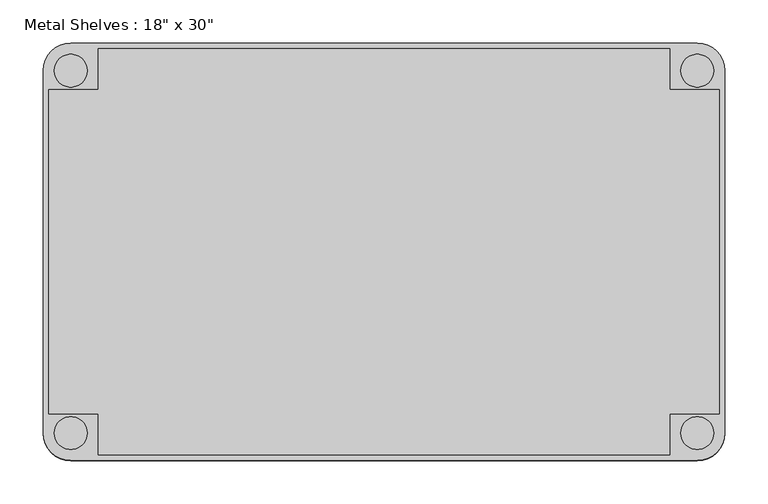
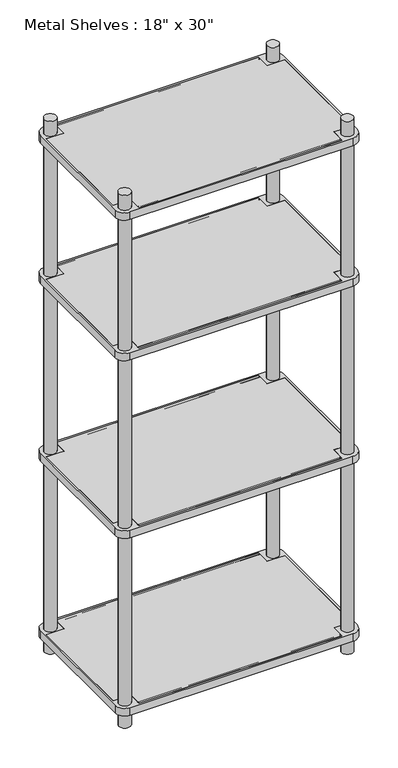
"""IFC4 building model written with IfcOpenShell, lengths in millimetres: furniture geometry."""

from ifc_helpers import new_model, si_unit, point, frame, frame_2d, origin, origin_with_axes, place, context, project, spatial, polyline, circle_curve, trimmed, segment, composite_curve, outline, extrude, source, transform, mapped, element, save


def furniture_54ad6b23(model_context):
    return source(origin(), model_context, "Body", "SweptSolid", [
        extrude(outline(polyline([(-330.2, -234.95), (-330.2, -187.325), (-387.35, -187.325), (-387.35, 187.325), (-330.2, 187.325), (-330.2, 234.95), (330.2, 234.95), (330.2, 187.325), (387.35, 187.325), (387.35, -187.325), (330.2, -187.325), (330.2, -234.95), (-330.2, -234.95)])), frame((0.0, 0.0, 50.8), z_axis=(0.0, 0.0, 1.0), x_axis=(1.0, 0.0, 0.0)), (0.0, 0.0, 1.0), 25.4),
        extrude(outline(polyline([(-330.2, -234.95), (-330.2, -187.325), (-387.35, -187.325), (-387.35, 187.325), (-330.2, 187.325), (-330.2, 234.95), (330.2, 234.95), (330.2, 187.325), (387.35, 187.325), (387.35, -187.325), (330.2, -187.325), (330.2, -234.95), (-330.2, -234.95)])), frame((0.0, 0.0, 660.4), z_axis=(0.0, 0.0, 1.0), x_axis=(1.0, 0.0, 0.0)), (0.0, 0.0, 1.0), 25.4),
        extrude(outline(polyline([(-330.2, -234.95), (-330.2, -187.325), (-387.35, -187.325), (-387.35, 187.325), (-330.2, 187.325), (-330.2, 234.95), (330.2, 234.95), (330.2, 187.325), (387.35, 187.325), (387.35, -187.325), (330.2, -187.325), (330.2, -234.95), (-330.2, -234.95)])), frame((0.0, 0.0, 1270.0), z_axis=(0.0, 0.0, 1.0), x_axis=(1.0, 0.0, 0.0)), (0.0, 0.0, 1.0), 25.4),
        extrude(outline(polyline([(-387.35, -187.325), (-387.35, 187.325), (-330.2, 187.325), (-330.2, 234.95), (330.2, 234.95), (330.2, 187.325), (387.35, 187.325), (387.35, -187.325), (330.2, -187.325), (330.2, -234.95), (-330.2, -234.95), (-330.2, -187.325), (-387.35, -187.325)])), frame((0.0, 0.0, 1752.6), z_axis=(0.0, 0.0, 1.0), x_axis=(1.0, 0.0, 0.0)), (0.0, 0.0, 1.0), 25.4),
        extrude(outline(composite_curve([segment(polyline([(393.7, 209.55), (393.7, -209.55)]), True, "CONTINUOUS"), segment(trimmed(circle_curve(frame_2d((361.95, -209.55)), 31.75), [point((393.7, -209.55))], [point((361.95, -241.3))], False, "CARTESIAN"), True, "CONTINUOUS"), segment(polyline([(361.95, -241.3), (-361.95, -241.3)]), True, "CONTINUOUS"), segment(trimmed(circle_curve(frame_2d((-361.95, -209.55)), 31.75), [point((-361.95, -241.3))], [point((-393.7, -209.55))], False, "CARTESIAN"), True, "CONTINUOUS"), segment(polyline([(-393.7, -209.55), (-393.7, 209.55)]), True, "CONTINUOUS"), segment(trimmed(circle_curve(frame_2d((-361.95, 209.55)), 31.75), [point((-393.7, 209.55))], [point((-361.95, 241.3))], False, "CARTESIAN"), True, "CONTINUOUS"), segment(polyline([(-361.95, 241.3), (361.95, 241.3)]), True, "CONTINUOUS"), segment(trimmed(circle_curve(frame_2d((361.95, 209.55)), 31.75), [point((361.95, 241.3))], [point((393.7, 209.55))], False, "CARTESIAN"), True, "CONTINUOUS")], self_intersect=False), holes=[polyline([(-330.2, 234.95), (-330.2, 187.325), (-387.35, 187.325), (-387.35, -187.325), (-330.2, -187.325), (-330.2, -234.95), (330.2, -234.95), (330.2, -187.325), (387.35, -187.325), (387.35, 187.325), (330.2, 187.325), (330.2, 234.95), (-330.2, 234.95)]), composite_curve([segment(trimmed(circle_curve(frame_2d((361.95, 209.55)), 19.05), [point((342.9, 209.55))], [point((381.0, 209.55))], True, "CARTESIAN"), True, "CONTINUOUS"), segment(trimmed(circle_curve(frame_2d((361.95, 209.55)), 19.05), [point((381.0, 209.55))], [point((342.9, 209.55))], True, "CARTESIAN"), True, "CONTINUOUS")], self_intersect=False), composite_curve([segment(trimmed(circle_curve(frame_2d((361.95, -209.55)), 19.05), [point((342.9, -209.55))], [point((381.0, -209.55))], True, "CARTESIAN"), True, "CONTINUOUS"), segment(trimmed(circle_curve(frame_2d((361.95, -209.55)), 19.05), [point((381.0, -209.55))], [point((342.9, -209.55))], True, "CARTESIAN"), True, "CONTINUOUS")], self_intersect=False), composite_curve([segment(trimmed(circle_curve(frame_2d((-361.95, -209.55)), 19.05), [point((-342.9, -209.55))], [point((-381.0, -209.55))], True, "CARTESIAN"), True, "CONTINUOUS"), segment(trimmed(circle_curve(frame_2d((-361.95, -209.55)), 19.05), [point((-381.0, -209.55))], [point((-342.9, -209.55))], True, "CARTESIAN"), True, "CONTINUOUS")], self_intersect=False), composite_curve([segment(trimmed(circle_curve(frame_2d((-361.95, 209.55)), 19.05), [point((-342.9, 209.55))], [point((-381.0, 209.55))], True, "CARTESIAN"), True, "CONTINUOUS"), segment(trimmed(circle_curve(frame_2d((-361.95, 209.55)), 19.05), [point((-381.0, 209.55))], [point((-342.9, 209.55))], True, "CARTESIAN"), True, "CONTINUOUS")], self_intersect=False)]), frame((0.0, 0.0, 660.4), z_axis=(0.0, 0.0, 1.0), x_axis=(1.0, 0.0, 0.0)), (0.0, 0.0, 1.0), 25.4),
        extrude(outline(composite_curve([segment(polyline([(-361.95, 241.3), (361.95, 241.3)]), True, "CONTINUOUS"), segment(trimmed(circle_curve(frame_2d((361.95, 209.55)), 31.75), [point((361.95, 241.3))], [point((393.7, 209.55))], False, "CARTESIAN"), True, "CONTINUOUS"), segment(polyline([(393.7, 209.55), (393.7, -209.55)]), True, "CONTINUOUS"), segment(trimmed(circle_curve(frame_2d((361.95, -209.55)), 31.75), [point((393.7, -209.55))], [point((361.95, -241.3))], False, "CARTESIAN"), True, "CONTINUOUS"), segment(polyline([(361.95, -241.3), (-361.95, -241.3)]), True, "CONTINUOUS"), segment(trimmed(circle_curve(frame_2d((-361.95, -209.55)), 31.75), [point((-361.95, -241.3))], [point((-393.7, -209.55))], False, "CARTESIAN"), True, "CONTINUOUS"), segment(polyline([(-393.7, -209.55), (-393.7, 209.55)]), True, "CONTINUOUS"), segment(trimmed(circle_curve(frame_2d((-361.95, 209.55)), 31.75), [point((-393.7, 209.55))], [point((-361.95, 241.3))], False, "CARTESIAN"), True, "CONTINUOUS")], self_intersect=False), holes=[composite_curve([segment(trimmed(circle_curve(frame_2d((-361.95, 209.55)), 19.05), [point((-342.9, 209.55))], [point((-381.0, 209.55))], True, "CARTESIAN"), True, "CONTINUOUS"), segment(trimmed(circle_curve(frame_2d((-361.95, 209.55)), 19.05), [point((-381.0, 209.55))], [point((-342.9, 209.55))], True, "CARTESIAN"), True, "CONTINUOUS")], self_intersect=False), composite_curve([segment(trimmed(circle_curve(frame_2d((-361.95, -209.55)), 19.05), [point((-342.9, -209.55))], [point((-381.0, -209.55))], True, "CARTESIAN"), True, "CONTINUOUS"), segment(trimmed(circle_curve(frame_2d((-361.95, -209.55)), 19.05), [point((-381.0, -209.55))], [point((-342.9, -209.55))], True, "CARTESIAN"), True, "CONTINUOUS")], self_intersect=False), composite_curve([segment(trimmed(circle_curve(frame_2d((361.95, 209.55)), 19.05), [point((342.9, 209.55))], [point((381.0, 209.55))], True, "CARTESIAN"), True, "CONTINUOUS"), segment(trimmed(circle_curve(frame_2d((361.95, 209.55)), 19.05), [point((381.0, 209.55))], [point((342.9, 209.55))], True, "CARTESIAN"), True, "CONTINUOUS")], self_intersect=False), composite_curve([segment(trimmed(circle_curve(frame_2d((361.95, -209.55)), 19.05), [point((342.9, -209.55))], [point((381.0, -209.55))], True, "CARTESIAN"), True, "CONTINUOUS"), segment(trimmed(circle_curve(frame_2d((361.95, -209.55)), 19.05), [point((381.0, -209.55))], [point((342.9, -209.55))], True, "CARTESIAN"), True, "CONTINUOUS")], self_intersect=False), polyline([(-330.2, 234.95), (-330.2, 187.325), (-387.35, 187.325), (-387.35, -187.325), (-330.2, -187.325), (-330.2, -234.95), (330.2, -234.95), (330.2, -187.325), (387.35, -187.325), (387.35, 187.325), (330.2, 187.325), (330.2, 234.95), (-330.2, 234.95)])]), frame((0.0, 0.0, 50.8), z_axis=(0.0, 0.0, 1.0), x_axis=(1.0, 0.0, 0.0)), (0.0, 0.0, 1.0), 25.4),
        extrude(outline(composite_curve([segment(polyline([(-393.7, -209.55), (-393.7, 209.55)]), True, "CONTINUOUS"), segment(trimmed(circle_curve(frame_2d((-361.95, 209.55)), 31.75), [point((-393.7, 209.55))], [point((-361.95, 241.3))], False, "CARTESIAN"), True, "CONTINUOUS"), segment(polyline([(-361.95, 241.3), (361.95, 241.3)]), True, "CONTINUOUS"), segment(trimmed(circle_curve(frame_2d((361.95, 209.55)), 31.75), [point((361.95, 241.3))], [point((393.7, 209.55))], False, "CARTESIAN"), True, "CONTINUOUS"), segment(polyline([(393.7, 209.55), (393.7, -209.55)]), True, "CONTINUOUS"), segment(trimmed(circle_curve(frame_2d((361.95, -209.55)), 31.75), [point((393.7, -209.55))], [point((361.95, -241.3))], False, "CARTESIAN"), True, "CONTINUOUS"), segment(polyline([(361.95, -241.3), (-361.95, -241.3)]), True, "CONTINUOUS"), segment(trimmed(circle_curve(frame_2d((-361.95, -209.55)), 31.75), [point((-361.95, -241.3))], [point((-393.7, -209.55))], False, "CARTESIAN"), True, "CONTINUOUS")], self_intersect=False), holes=[composite_curve([segment(trimmed(circle_curve(frame_2d((-361.95, -209.55)), 19.05), [point((-342.9, -209.55))], [point((-381.0, -209.55))], True, "CARTESIAN"), True, "CONTINUOUS"), segment(trimmed(circle_curve(frame_2d((-361.95, -209.55)), 19.05), [point((-381.0, -209.55))], [point((-342.9, -209.55))], True, "CARTESIAN"), True, "CONTINUOUS")], self_intersect=False), composite_curve([segment(trimmed(circle_curve(frame_2d((-361.95, 209.55)), 19.05), [point((-342.9, 209.55))], [point((-381.0, 209.55))], True, "CARTESIAN"), True, "CONTINUOUS"), segment(trimmed(circle_curve(frame_2d((-361.95, 209.55)), 19.05), [point((-381.0, 209.55))], [point((-342.9, 209.55))], True, "CARTESIAN"), True, "CONTINUOUS")], self_intersect=False), composite_curve([segment(trimmed(circle_curve(frame_2d((361.95, 209.55)), 19.05), [point((342.9, 209.55))], [point((381.0, 209.55))], True, "CARTESIAN"), True, "CONTINUOUS"), segment(trimmed(circle_curve(frame_2d((361.95, 209.55)), 19.05), [point((381.0, 209.55))], [point((342.9, 209.55))], True, "CARTESIAN"), True, "CONTINUOUS")], self_intersect=False), polyline([(-330.2, 234.95), (-330.2, 187.325), (-387.35, 187.325), (-387.35, -187.325), (-330.2, -187.325), (-330.2, -234.95), (330.2, -234.95), (330.2, -187.325), (387.35, -187.325), (387.35, 187.325), (330.2, 187.325), (330.2, 234.95), (-330.2, 234.95)]), composite_curve([segment(trimmed(circle_curve(frame_2d((361.95, -209.55)), 19.05), [point((342.9, -209.55))], [point((381.0, -209.55))], True, "CARTESIAN"), True, "CONTINUOUS"), segment(trimmed(circle_curve(frame_2d((361.95, -209.55)), 19.05), [point((381.0, -209.55))], [point((342.9, -209.55))], True, "CARTESIAN"), True, "CONTINUOUS")], self_intersect=False)]), frame((0.0, 0.0, 1270.0), z_axis=(0.0, 0.0, 1.0), x_axis=(1.0, 0.0, 0.0)), (0.0, 0.0, 1.0), 25.4),
        extrude(outline(composite_curve([segment(polyline([(-361.95, 241.3), (361.95, 241.3)]), True, "CONTINUOUS"), segment(trimmed(circle_curve(frame_2d((361.95, 209.55)), 31.75), [point((361.95, 241.3))], [point((393.7, 209.55))], False, "CARTESIAN"), True, "CONTINUOUS"), segment(polyline([(393.7, 209.55), (393.7, -209.55)]), True, "CONTINUOUS"), segment(trimmed(circle_curve(frame_2d((361.95, -209.55)), 31.75), [point((393.7, -209.55))], [point((361.95, -241.3))], False, "CARTESIAN"), True, "CONTINUOUS"), segment(polyline([(361.95, -241.3), (-361.95, -241.3)]), True, "CONTINUOUS"), segment(trimmed(circle_curve(frame_2d((-361.95, -209.55)), 31.75), [point((-361.95, -241.3))], [point((-393.7, -209.55))], False, "CARTESIAN"), True, "CONTINUOUS"), segment(polyline([(-393.7, -209.55), (-393.7, 209.55)]), True, "CONTINUOUS"), segment(trimmed(circle_curve(frame_2d((-361.95, 209.55)), 31.75), [point((-393.7, 209.55))], [point((-361.95, 241.3))], False, "CARTESIAN"), True, "CONTINUOUS")], self_intersect=False), holes=[composite_curve([segment(trimmed(circle_curve(frame_2d((361.95, -209.55)), 19.05), [point((342.9, -209.55))], [point((381.0, -209.55))], True, "CARTESIAN"), True, "CONTINUOUS"), segment(trimmed(circle_curve(frame_2d((361.95, -209.55)), 19.05), [point((381.0, -209.55))], [point((342.9, -209.55))], True, "CARTESIAN"), True, "CONTINUOUS")], self_intersect=False), composite_curve([segment(trimmed(circle_curve(frame_2d((361.95, 209.55)), 19.05), [point((342.9, 209.55))], [point((381.0, 209.55))], True, "CARTESIAN"), True, "CONTINUOUS"), segment(trimmed(circle_curve(frame_2d((361.95, 209.55)), 19.05), [point((381.0, 209.55))], [point((342.9, 209.55))], True, "CARTESIAN"), True, "CONTINUOUS")], self_intersect=False), composite_curve([segment(trimmed(circle_curve(frame_2d((-361.95, -209.55)), 19.05), [point((-342.9, -209.55))], [point((-381.0, -209.55))], True, "CARTESIAN"), True, "CONTINUOUS"), segment(trimmed(circle_curve(frame_2d((-361.95, -209.55)), 19.05), [point((-381.0, -209.55))], [point((-342.9, -209.55))], True, "CARTESIAN"), True, "CONTINUOUS")], self_intersect=False), polyline([(387.35, 187.325), (330.2, 187.325), (330.2, 234.95), (-330.2, 234.95), (-330.2, 187.325), (-387.35, 187.325), (-387.35, -187.325), (-330.2, -187.325), (-330.2, -234.95), (330.2, -234.95), (330.2, -187.325), (387.35, -187.325), (387.35, 187.325)]), composite_curve([segment(trimmed(circle_curve(frame_2d((-361.95, 209.55)), 19.05), [point((-342.9, 209.55))], [point((-381.0, 209.55))], True, "CARTESIAN"), True, "CONTINUOUS"), segment(trimmed(circle_curve(frame_2d((-361.95, 209.55)), 19.05), [point((-381.0, 209.55))], [point((-342.9, 209.55))], True, "CARTESIAN"), True, "CONTINUOUS")], self_intersect=False)]), frame((0.0, 0.0, 1752.6), z_axis=(0.0, 0.0, 1.0), x_axis=(1.0, 0.0, 0.0)), (0.0, 0.0, 1.0), 25.4),
        extrude(outline(composite_curve([segment(trimmed(circle_curve(frame_2d((-228.6, 1776.4125)), 1.5875), [point((-227.0125, 1776.4125))], [point((-230.1875, 1776.4125))], False, "CARTESIAN"), True, "CONTINUOUS"), segment(trimmed(circle_curve(frame_2d((-228.6, 1776.4125)), 1.5875), [point((-230.1875, 1776.4125))], [point((-227.0125, 1776.4125))], False, "CARTESIAN"), True, "CONTINUOUS")], self_intersect=False)), frame((-330.2, 0.0, 0.0), z_axis=(1.0, 0.0, 0.0), x_axis=(0.0, 1.0, 0.0)), (0.0, 0.0, 1.0), 660.4),
        extrude(outline(composite_curve([segment(trimmed(circle_curve(frame_2d((228.6, 1776.4125)), 1.5875), [point((230.1875, 1776.4125))], [point((227.0125, 1776.4125))], False, "CARTESIAN"), True, "CONTINUOUS"), segment(trimmed(circle_curve(frame_2d((228.6, 1776.4125)), 1.5875), [point((227.0125, 1776.4125))], [point((230.1875, 1776.4125))], False, "CARTESIAN"), True, "CONTINUOUS")], self_intersect=False)), frame((-330.2, 0.0, 0.0), z_axis=(1.0, 0.0, 0.0), x_axis=(0.0, 1.0, 0.0)), (0.0, 0.0, 1.0), 660.4),
        extrude(outline(composite_curve([segment(trimmed(circle_curve(frame_2d((-228.6, 1293.8125)), 1.5875), [point((-227.0125, 1293.8125))], [point((-230.1875, 1293.8125))], False, "CARTESIAN"), True, "CONTINUOUS"), segment(trimmed(circle_curve(frame_2d((-228.6, 1293.8125)), 1.5875), [point((-230.1875, 1293.8125))], [point((-227.0125, 1293.8125))], False, "CARTESIAN"), True, "CONTINUOUS")], self_intersect=False)), frame((-330.2, 0.0, 0.0), z_axis=(1.0, 0.0, 0.0), x_axis=(0.0, 1.0, 0.0)), (0.0, 0.0, 1.0), 660.4),
        extrude(outline(composite_curve([segment(trimmed(circle_curve(frame_2d((228.6, 1293.8125)), 1.5875), [point((230.1875, 1293.8125))], [point((227.0125, 1293.8125))], False, "CARTESIAN"), True, "CONTINUOUS"), segment(trimmed(circle_curve(frame_2d((228.6, 1293.8125)), 1.5875), [point((227.0125, 1293.8125))], [point((230.1875, 1293.8125))], False, "CARTESIAN"), True, "CONTINUOUS")], self_intersect=False)), frame((-330.2, 0.0, 0.0), z_axis=(1.0, 0.0, 0.0), x_axis=(0.0, 1.0, 0.0)), (0.0, 0.0, 1.0), 660.4),
        extrude(outline(composite_curve([segment(trimmed(circle_curve(frame_2d((-228.6, 684.2125)), 1.5875), [point((-227.0125, 684.2125))], [point((-230.1875, 684.2125))], False, "CARTESIAN"), True, "CONTINUOUS"), segment(trimmed(circle_curve(frame_2d((-228.6, 684.2125)), 1.5875), [point((-230.1875, 684.2125))], [point((-227.0125, 684.2125))], False, "CARTESIAN"), True, "CONTINUOUS")], self_intersect=False)), frame((-330.2, 0.0, 0.0), z_axis=(1.0, 0.0, 0.0), x_axis=(0.0, 1.0, 0.0)), (0.0, 0.0, 1.0), 660.4),
        extrude(outline(composite_curve([segment(trimmed(circle_curve(frame_2d((228.6, 684.2125)), 1.5875), [point((230.1875, 684.2125))], [point((227.0125, 684.2125))], False, "CARTESIAN"), True, "CONTINUOUS"), segment(trimmed(circle_curve(frame_2d((228.6, 684.2125)), 1.5875), [point((227.0125, 684.2125))], [point((230.1875, 684.2125))], False, "CARTESIAN"), True, "CONTINUOUS")], self_intersect=False)), frame((-330.2, 0.0, 0.0), z_axis=(1.0, 0.0, 0.0), x_axis=(0.0, 1.0, 0.0)), (0.0, 0.0, 1.0), 660.4),
        extrude(outline(composite_curve([segment(trimmed(circle_curve(frame_2d((-228.6, 74.6125)), 1.5875), [point((-227.0125, 74.6125))], [point((-230.1875, 74.6125))], False, "CARTESIAN"), True, "CONTINUOUS"), segment(trimmed(circle_curve(frame_2d((-228.6, 74.6125)), 1.5875), [point((-230.1875, 74.6125))], [point((-227.0125, 74.6125))], False, "CARTESIAN"), True, "CONTINUOUS")], self_intersect=False)), frame((-330.2, 0.0, 0.0), z_axis=(1.0, 0.0, 0.0), x_axis=(0.0, 1.0, 0.0)), (0.0, 0.0, 1.0), 660.4),
        extrude(outline(composite_curve([segment(trimmed(circle_curve(frame_2d((228.6, 74.6125)), 1.5875), [point((230.1875, 74.6125))], [point((227.0125, 74.6125))], False, "CARTESIAN"), True, "CONTINUOUS"), segment(trimmed(circle_curve(frame_2d((228.6, 74.6125)), 1.5875), [point((227.0125, 74.6125))], [point((230.1875, 74.6125))], False, "CARTESIAN"), True, "CONTINUOUS")], self_intersect=False)), frame((-330.2, 0.0, 0.0), z_axis=(1.0, 0.0, 0.0), x_axis=(0.0, 1.0, 0.0)), (0.0, 0.0, 1.0), 660.4),
        extrude(outline(composite_curve([segment(trimmed(circle_curve(frame_2d((361.95, 209.55)), 19.05), [point((381.0, 209.55))], [point((342.9, 209.55))], False, "CARTESIAN"), True, "CONTINUOUS"), segment(trimmed(circle_curve(frame_2d((361.95, 209.55)), 19.05), [point((342.9, 209.55))], [point((381.0, 209.55))], False, "CARTESIAN"), True, "CONTINUOUS")], self_intersect=False)), origin_with_axes(), (0.0, 0.0, 1.0), 1828.8),
        extrude(outline(composite_curve([segment(trimmed(circle_curve(frame_2d((-361.95, 209.55)), 19.05), [point((-381.0, 209.55))], [point((-342.9, 209.55))], False, "CARTESIAN"), True, "CONTINUOUS"), segment(trimmed(circle_curve(frame_2d((-361.95, 209.55)), 19.05), [point((-342.9, 209.55))], [point((-381.0, 209.55))], False, "CARTESIAN"), True, "CONTINUOUS")], self_intersect=False)), origin_with_axes(), (0.0, 0.0, 1.0), 1828.8),
        extrude(outline(composite_curve([segment(trimmed(circle_curve(frame_2d((361.95, -209.55)), 19.05), [point((381.0, -209.55))], [point((342.9, -209.55))], False, "CARTESIAN"), True, "CONTINUOUS"), segment(trimmed(circle_curve(frame_2d((361.95, -209.55)), 19.05), [point((342.9, -209.55))], [point((381.0, -209.55))], False, "CARTESIAN"), True, "CONTINUOUS")], self_intersect=False)), origin_with_axes(), (0.0, 0.0, 1.0), 1828.8),
        extrude(outline(composite_curve([segment(trimmed(circle_curve(frame_2d((-361.95, -209.55)), 19.05), [point((-381.0, -209.55))], [point((-342.9, -209.55))], False, "CARTESIAN"), True, "CONTINUOUS"), segment(trimmed(circle_curve(frame_2d((-361.95, -209.55)), 19.05), [point((-342.9, -209.55))], [point((-381.0, -209.55))], False, "CARTESIAN"), True, "CONTINUOUS")], self_intersect=False)), origin_with_axes(), (0.0, 0.0, 1.0), 1828.8),
    ])


if __name__ == "__main__":
    model = new_model("IFC4")
    model_context = context("Model", 3, world=origin())
    ifc_project = project(units=[si_unit("LENGTHUNIT", "METRE", prefix="MILLI")], contexts=[model_context])
    site = spatial("IfcSite", under=ifc_project)
    building = spatial("IfcBuilding", under=site)
    placement = place(None, origin())
    furniture_shape = furniture_54ad6b23(model_context)
    element("IfcFurniture", 1, ObjectType="Metal Shelves : 18\" x 30\"", at=placement, inside=building, context=model_context, shape_type="MappedRepresentation", body=[
        mapped(furniture_shape, transform((0.0, 0.0, 0.0), x_axis=(1.0, 0.0, 0.0), y_axis=(0.0, 1.0, 0.0), z_axis=(0.0, 0.0, 1.0))),
    ])
    save(model, "model.ifc")
